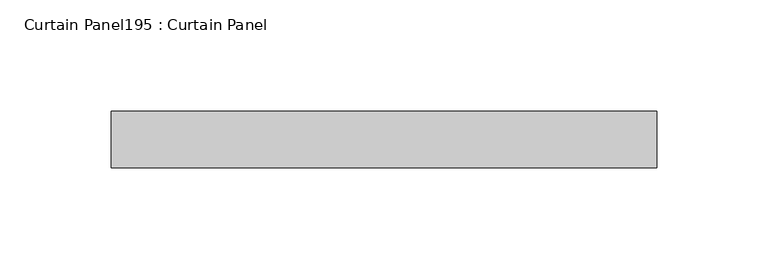
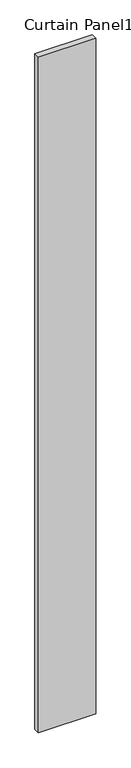
"""IFC4 building model written with IfcOpenShell, lengths in millimetres: plate geometry, Curtain Panel195 : Curtain Panel."""

from ifc_helpers import new_model, si_unit, frame, origin, place, context, project, spatial, polyline, outline, extrude, source, transform, mapped, element, save


def curtain_panel195_curtain_panel_949a7c1e(model_context):
    return source(origin(), model_context, "Body", "SweptSolid", [
        extrude(outline(polyline([(602641.1501813, 3006.2495813), (602395.5110912, 3006.2495813), (602395.5110912, 3031.6495813), (602641.1501813, 3031.6495813), (602641.1501813, 3006.2495813)])), frame((0.0, 0.0, 4959.7989371), z_axis=(0.0, 0.0, 1.0), x_axis=(1.0, 0.0, 0.0)), (0.0, 0.0, 1.0), 3048.0),
    ])


if __name__ == "__main__":
    model = new_model("IFC4")
    model_context = context("Model", 3, world=origin())
    ifc_project = project(units=[si_unit("LENGTHUNIT", "METRE", prefix="MILLI")], contexts=[model_context])
    site = spatial("IfcSite", under=ifc_project)
    building = spatial("IfcBuilding", under=site)
    placement = place(None, origin())
    curtain_panel195_curtain_panel_shape = curtain_panel195_curtain_panel_949a7c1e(model_context)
    element("IfcPlate", 1, ObjectType="Curtain Panel195 : Curtain Panel", at=placement, inside=building, context=model_context, shape_type="MappedRepresentation", body=[
        mapped(curtain_panel195_curtain_panel_shape, transform((0.0, 0.0, 0.0), x_axis=(1.0, 0.0, 0.0), y_axis=(0.0, 1.0, 0.0), z_axis=(0.0, 0.0, 1.0))),
    ])
    save(model, "model.ifc")
